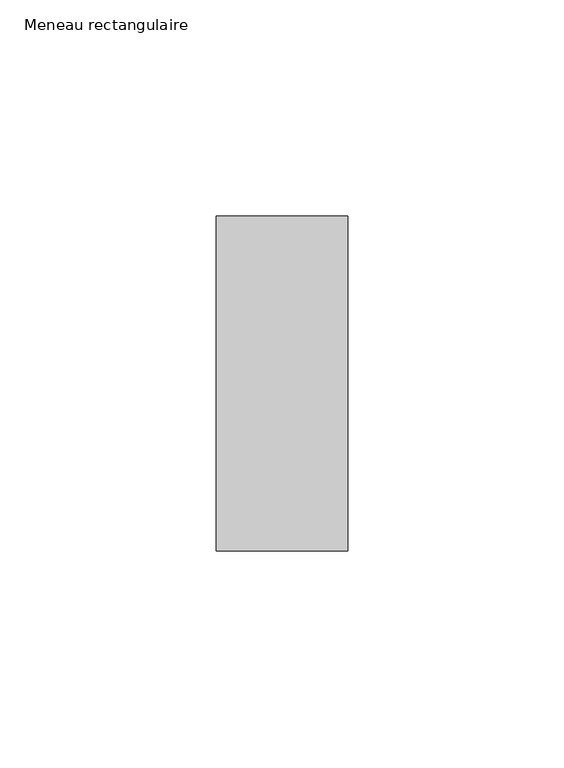
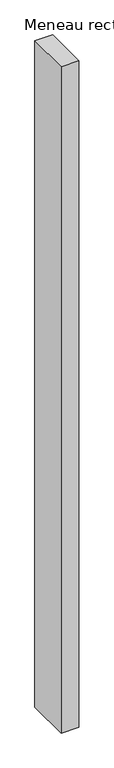
"""IFC4 building model written with IfcOpenShell, lengths in millimetres: member geometry, Meneau rectangulaire."""

from ifc_helpers import new_model, si_unit, frame, origin, place, context, project, spatial, polyline, outline, extrude, source, transform, mapped, element, save


def meneau_rectangulaire_28ebfe89(model_context):
    return source(origin(), model_context, "Body", "SweptSolid", [
        extrude(outline(polyline([(-15.25, 38.75), (15.25, 38.75), (15.25, -38.75), (-15.25, -38.75), (-15.25, 38.75)])), frame((0.0, 0.0, -1204.3750002), z_axis=(0.0, 0.0, 1.0), x_axis=(1.0, 0.0, 0.0)), (0.0, 0.0, 1.0), 1204.3750002),
    ])


if __name__ == "__main__":
    model = new_model("IFC4")
    model_context = context("Model", 3, world=origin())
    ifc_project = project(units=[si_unit("LENGTHUNIT", "METRE", prefix="MILLI")], contexts=[model_context])
    site = spatial("IfcSite", under=ifc_project)
    building = spatial("IfcBuilding", under=site)
    placement = place(None, origin())
    meneau_rectangulaire_shape = meneau_rectangulaire_28ebfe89(model_context)
    element("IfcMember", 1, ObjectType="Meneau rectangulaire", at=placement, inside=building, context=model_context, shape_type="MappedRepresentation", body=[
        mapped(meneau_rectangulaire_shape, transform((0.0, 0.0, 0.0), x_axis=(1.0, 0.0, 0.0), y_axis=(0.0, 1.0, 0.0), z_axis=(0.0, 0.0, 1.0))),
    ])
    save(model, "model.ifc")
